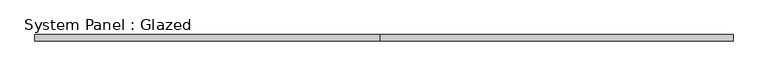
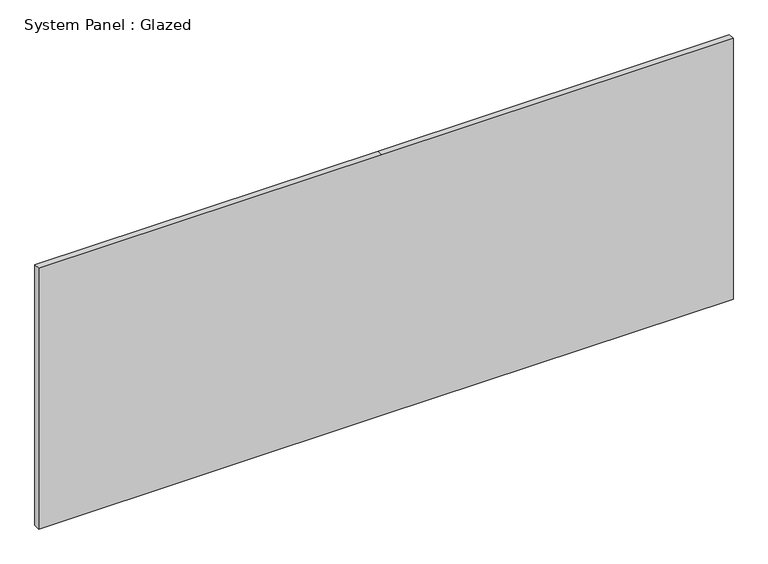
"""IFC4 building model written with IfcOpenShell, lengths in millimetres: plate geometry, System Panel : Glazed."""

from ifc_helpers import new_model, si_unit, frame, origin, place, context, project, spatial, polyline, outline, extrude, source, transform, mapped, element, save


def system_panel_glazed_5c289833(model_context):
    return source(origin(), model_context, "Body", "SweptSolid", [
        extrude(outline(polyline([(0.0, -1417.1083335), (0.0, -15.8749998), (0.0, 1417.1083335), (1123.95, 1417.1083335), (1123.95, -15.8749998), (1123.95, -1417.1083335), (0.0, -1417.1083335)])), frame((0.0, 19.05, 0.0), z_axis=(0.0, 1.0, 0.0), x_axis=(0.0, 0.0, 1.0)), (0.0, 0.0, 1.0), 25.4),
    ])


if __name__ == "__main__":
    model = new_model("IFC4")
    model_context = context("Model", 3, world=origin())
    ifc_project = project(units=[si_unit("LENGTHUNIT", "METRE", prefix="MILLI")], contexts=[model_context])
    site = spatial("IfcSite", under=ifc_project)
    building = spatial("IfcBuilding", under=site)
    placement = place(None, origin())
    system_panel_glazed_shape = system_panel_glazed_5c289833(model_context)
    element("IfcPlate", 1, ObjectType="System Panel : Glazed", at=placement, inside=building, context=model_context, shape_type="MappedRepresentation", body=[
        mapped(system_panel_glazed_shape, transform((0.0, 0.0, 0.0), x_axis=(1.0, 0.0, 0.0), y_axis=(0.0, 1.0, 0.0), z_axis=(0.0, 0.0, 1.0))),
    ])
    save(model, "model.ifc")
